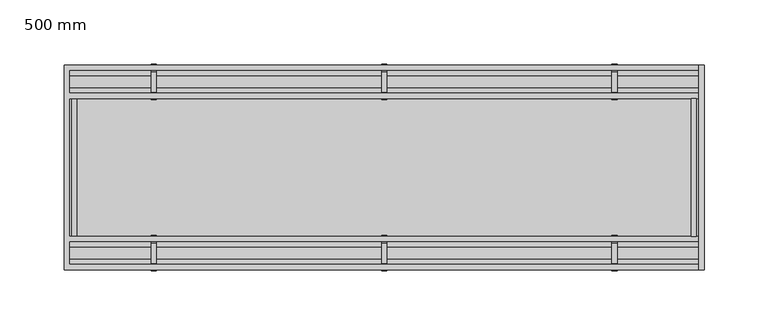
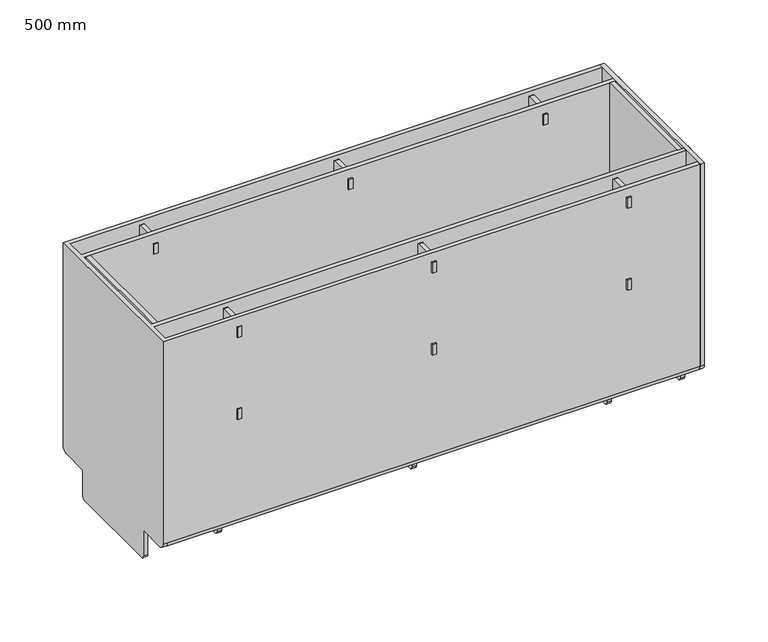
"""IFC4 building model written with IfcOpenShell, lengths in millimetres: proxy geometry, 500 mm."""

from ifc_helpers import new_model, si_unit, point, frame, frame_2d, origin, place, context, project, spatial, polyline, circle_curve, trimmed, segment, composite_curve, outline, extrude, source, transform, mapped, element, save
from ifc_brep_helpers import plane_surface, cylinder_surface, revolved_surface, advanced_brep


def proxy_500_mm_8174f131(model_context):
    return source(origin(), model_context, "Body", "SolidModel", [
        extrude(outline(polyline([(490.0, -54.0054819), (490.0, 54.0054819), (494.0, 54.0054819), (494.0, -54.0054819), (490.0, -54.0054819)])), frame((0.0, 0.0, -17.0), z_axis=(0.0, 0.0, 1.0), x_axis=(1.0, 0.0, 0.0)), (0.0, 0.0, 1.0), 199.0093438),
        extrude(outline(composite_curve([segment(polyline([(80.0, 182.0093438), (80.0, -15.5)]), True, "CONTINUOUS"), segment(trimmed(circle_curve(frame_2d((74.5, -15.5)), 5.5), [point((80.0, -15.5))], [point((74.5, -21.0))], False, "CARTESIAN"), True, "CONTINUOUS"), segment(polyline([(74.5, -21.0), (48.5, -21.0), (48.5, -46.0)]), True, "CONTINUOUS"), segment(trimmed(circle_curve(frame_2d((45.5, -46.0)), 3.0), [point((48.5, -46.0))], [point((45.5, -49.0))], False, "CARTESIAN"), True, "CONTINUOUS"), segment(polyline([(45.5, -49.0), (-45.5, -49.0)]), True, "CONTINUOUS"), segment(trimmed(circle_curve(frame_2d((-45.5, -46.0)), 3.0), [point((-45.5, -49.0))], [point((-48.5, -46.0))], False, "CARTESIAN"), True, "CONTINUOUS"), segment(polyline([(-48.5, -46.0), (-48.5, -21.0), (-74.5, -21.0)]), True, "CONTINUOUS"), segment(trimmed(circle_curve(frame_2d((-74.5, -15.5)), 5.5), [point((-74.5, -21.0))], [point((-80.0, -15.5))], False, "CARTESIAN"), True, "CONTINUOUS"), segment(polyline([(-80.0, -15.5), (-80.0, 182.0093438), (80.0, 182.0093438)]), True, "CONTINUOUS")], self_intersect=False)), frame((496.0, 0.0, 0.0), z_axis=(1.0, 0.0, 0.0), x_axis=(0.0, 1.0, 0.0)), (0.0, 0.0, 1.0), 4.0),
        extrude(outline(composite_curve([segment(trimmed(circle_curve(frame_2d((45.5, -46.0)), 3.0), [point((48.5, -46.0))], [point((45.5, -49.0))], False, "CARTESIAN"), True, "CONTINUOUS"), segment(polyline([(45.5, -49.0), (-45.5, -49.0)]), True, "CONTINUOUS"), segment(trimmed(circle_curve(frame_2d((-45.5, -46.0)), 3.0), [point((-45.5, -49.0))], [point((-48.5, -46.0))], False, "CARTESIAN"), True, "CONTINUOUS"), segment(polyline([(-48.5, -46.0), (-48.5, -21.0), (48.5, -21.0), (48.5, -46.0)]), True, "CONTINUOUS")], self_intersect=False)), frame((248.0625, 0.0, 0.0), z_axis=(1.0, 0.0, 0.0), x_axis=(0.0, 1.0, 0.0)), (0.0, 0.0, 1.0), 4.0),
        extrude(outline(composite_curve([segment(polyline([(57.9942771, 78.0), (57.9942771, 83.0), (52.9942771, 83.0), (52.9942771, 93.0), (57.9942771, 93.0), (57.9942771, 163.0), (52.9942771, 163.0), (52.9942771, 173.0), (57.9942771, 173.0), (57.9942771, 177.0)]), True, "CONTINUOUS"), segment(trimmed(circle_curve(frame_2d((58.9942771, 177.0)), 1.0), [point((57.9942771, 177.0))], [point((58.9942771, 178.0))], False, "CARTESIAN"), True, "CONTINUOUS"), segment(polyline([(58.9942771, 178.0), (75.0, 178.0)]), True, "CONTINUOUS"), segment(trimmed(circle_curve(frame_2d((75.0, 177.0)), 1.0), [point((75.0, 178.0))], [point((76.0, 177.0))], False, "CARTESIAN"), True, "CONTINUOUS"), segment(polyline([(76.0, 177.0), (76.0, 173.0), (81.0, 173.0), (81.0, 163.0), (76.0, 163.0), (76.0, 93.0), (81.0, 93.0), (81.0, 83.0), (76.0, 83.0), (76.0, 78.0), (57.9942771, 78.0)]), True, "CONTINUOUS")], self_intersect=False)), frame((248.0625, 0.0, 0.0), z_axis=(1.0, 0.0, 0.0), x_axis=(0.0, 1.0, 0.0)), (0.0, 0.0, 1.0), 4.0),
        extrude(outline(composite_curve([segment(polyline([(-57.9942771, 78.0), (-76.0, 78.0), (-76.0, 83.0), (-81.0, 83.0), (-81.0, 93.0), (-76.0, 93.0), (-76.0, 163.0), (-81.0, 163.0), (-81.0, 173.0), (-76.0, 173.0), (-76.0, 177.0)]), True, "CONTINUOUS"), segment(trimmed(circle_curve(frame_2d((-75.0, 177.0)), 1.0), [point((-76.0, 177.0))], [point((-75.0, 178.0))], False, "CARTESIAN"), True, "CONTINUOUS"), segment(polyline([(-75.0, 178.0), (-58.9942771, 178.0)]), True, "CONTINUOUS"), segment(trimmed(circle_curve(frame_2d((-58.9942771, 177.0)), 1.0), [point((-58.9942771, 178.0))], [point((-57.9942771, 177.0))], False, "CARTESIAN"), True, "CONTINUOUS"), segment(polyline([(-57.9942771, 177.0), (-57.9942771, 173.0), (-52.9942771, 173.0), (-52.9942771, 163.0), (-57.9942771, 163.0), (-57.9942771, 93.0), (-52.9942771, 93.0), (-52.9942771, 83.0), (-57.9942771, 83.0), (-57.9942771, 78.0)]), True, "CONTINUOUS")], self_intersect=False)), frame((248.0625, 0.0, 0.0), z_axis=(1.0, 0.0, 0.0), x_axis=(0.0, 1.0, 0.0)), (0.0, 0.0, 1.0), 4.0),
        extrude(outline(composite_curve([segment(trimmed(circle_curve(frame_2d((45.5, -46.0)), 3.0), [point((48.5, -46.0))], [point((45.5, -49.0))], False, "CARTESIAN"), True, "CONTINUOUS"), segment(polyline([(45.5, -49.0), (-45.5, -49.0)]), True, "CONTINUOUS"), segment(trimmed(circle_curve(frame_2d((-45.5, -46.0)), 3.0), [point((-45.5, -49.0))], [point((-48.5, -46.0))], False, "CARTESIAN"), True, "CONTINUOUS"), segment(polyline([(-48.5, -46.0), (-48.5, -21.0), (48.5, -21.0), (48.5, -46.0)]), True, "CONTINUOUS")], self_intersect=False)), frame((428.0625, 0.0, 0.0), z_axis=(1.0, 0.0, 0.0), x_axis=(0.0, 1.0, 0.0)), (0.0, 0.0, 1.0), 4.0),
        extrude(outline(composite_curve([segment(polyline([(57.9942771, 78.0), (57.9942771, 83.0), (52.9942771, 83.0), (52.9942771, 93.0), (57.9942771, 93.0), (57.9942771, 163.0), (52.9942771, 163.0), (52.9942771, 173.0), (57.9942771, 173.0), (57.9942771, 177.0)]), True, "CONTINUOUS"), segment(trimmed(circle_curve(frame_2d((58.9942771, 177.0)), 1.0), [point((57.9942771, 177.0))], [point((58.9942771, 178.0))], False, "CARTESIAN"), True, "CONTINUOUS"), segment(polyline([(58.9942771, 178.0), (75.0, 178.0)]), True, "CONTINUOUS"), segment(trimmed(circle_curve(frame_2d((75.0, 177.0)), 1.0), [point((75.0, 178.0))], [point((76.0, 177.0))], False, "CARTESIAN"), True, "CONTINUOUS"), segment(polyline([(76.0, 177.0), (76.0, 173.0), (81.0, 173.0), (81.0, 163.0), (76.0, 163.0), (76.0, 93.0), (81.0, 93.0), (81.0, 83.0), (76.0, 83.0), (76.0, 78.0), (57.9942771, 78.0)]), True, "CONTINUOUS")], self_intersect=False)), frame((428.0625, 0.0, 0.0), z_axis=(1.0, 0.0, 0.0), x_axis=(0.0, 1.0, 0.0)), (0.0, 0.0, 1.0), 4.0),
        extrude(outline(composite_curve([segment(polyline([(-57.9942771, 78.0), (-76.0, 78.0), (-76.0, 83.0), (-81.0, 83.0), (-81.0, 93.0), (-76.0, 93.0), (-76.0, 163.0), (-81.0, 163.0), (-81.0, 173.0), (-76.0, 173.0), (-76.0, 177.0)]), True, "CONTINUOUS"), segment(trimmed(circle_curve(frame_2d((-75.0, 177.0)), 1.0), [point((-76.0, 177.0))], [point((-75.0, 178.0))], False, "CARTESIAN"), True, "CONTINUOUS"), segment(polyline([(-75.0, 178.0), (-58.9942771, 178.0)]), True, "CONTINUOUS"), segment(trimmed(circle_curve(frame_2d((-58.9942771, 177.0)), 1.0), [point((-58.9942771, 178.0))], [point((-57.9942771, 177.0))], False, "CARTESIAN"), True, "CONTINUOUS"), segment(polyline([(-57.9942771, 177.0), (-57.9942771, 173.0), (-52.9942771, 173.0), (-52.9942771, 163.0), (-57.9942771, 163.0), (-57.9942771, 93.0), (-52.9942771, 93.0), (-52.9942771, 83.0), (-57.9942771, 83.0), (-57.9942771, 78.0)]), True, "CONTINUOUS")], self_intersect=False)), frame((428.0625, 0.0, 0.0), z_axis=(1.0, 0.0, 0.0), x_axis=(0.0, 1.0, 0.0)), (0.0, 0.0, 1.0), 4.0),
        advanced_brep(
        [(4.0, -58.0054819, 182.0093438), (4.0, -76.0, 182.0093438), (4.0, -76.0, 162.9), (4.0, -72.0, 162.9), (4.0, -72.0, 137.9), (4.0, -76.0, 137.9), (4.0, -76.0, -15.5), (4.0, -74.5, -17.0), (4.0, -58.0054819, -17.0), (4.0, -58.0054819, 138.1067012), (4.0, -62.0054819, 138.1067012), (4.0, -62.0054819, 163.1067012), (4.0, -58.0054819, 163.1067012), (4.0, 76.0, 182.0093438), (4.0, 58.0054819, 182.0093438), (4.0, 58.0054819, 163.1067012), (4.0, 62.0054819, 163.1067012), (4.0, 62.0054819, 138.1067012), (4.0, 58.0054819, 138.1067012), (4.0, 58.0054819, -17.0), (4.0, 74.5, -17.0), (4.0, 76.0, -15.5), (4.0, 76.0, 137.9), (4.0, 72.0, 137.9), (4.0, 72.0, 162.9), (4.0, 76.0, 162.9), (4.0, 48.5, -21.0), (4.0, -48.5, -21.0), (4.0, -48.5, -46.0), (4.0, -45.5, -49.0), (4.0, 45.5, -49.0), (4.0, 48.5, -46.0), (4.0, -54.0054819, -17.0), (4.0, 54.0054819, -17.0), (4.0, 54.0054819, 182.0093438), (4.0, -54.0054819, 182.0093438), (0.0, -80.0, 182.0093438), (0.0, 80.0, 182.0093438), (0.0, 80.0, -15.5), (0.0, 74.5, -21.0), (0.0, 48.5, -21.0), (0.0, 48.5, -46.0), (0.0, 45.5, -49.0), (0.0, -45.5, -49.0), (0.0, -48.5, -46.0), (0.0, -48.5, -21.0), (0.0, -74.5, -21.0), (0.0, -80.0, -15.5), (500.0, -80.0, 182.0093438), (500.0, -76.0, 182.0093438), (500.0, -58.0054819, 182.0093438), (500.0, -54.0054819, 182.0093438), (500.0, 54.0054819, 182.0093438), (500.0, 58.0054819, 182.0093438), (500.0, 76.0, 182.0093438), (500.0, 80.0, 182.0093438), (4.0, -80.0, -15.5), (500.0, -80.0, -15.5), (4.0, -74.5, -21.0), (4.0, 74.5, -21.0), (500.0, 74.5, -21.0), (500.0, -74.5, -21.0), (4.0, 80.0, -15.5), (500.0, 80.0, -15.5), (500.0, 76.0, 162.9), (500.0, 72.0, 162.9), (500.0, 72.0, 137.9), (500.0, 76.0, 137.9), (500.0, 76.0, -15.5), (500.0, 74.5, -17.0), (500.0, 58.0054819, -17.0), (500.0, 58.0054819, 138.1067012), (500.0, 62.0054819, 138.1067012), (500.0, 62.0054819, 163.1067012), (500.0, 58.0054819, 163.1067012), (500.0, 54.0054819, -17.0), (500.0, -54.0054819, -17.0), (500.0, -58.0054819, 163.1067012), (500.0, -62.0054819, 163.1067012), (500.0, -62.0054819, 138.1067012), (500.0, -58.0054819, 138.1067012), (500.0, -58.0054819, -17.0), (500.0, -74.5, -17.0), (500.0, -76.0, -15.5), (500.0, -76.0, 137.9), (500.0, -72.0, 137.9), (500.0, -72.0, 162.9), (500.0, -76.0, 162.9)],
        [
            (0, 1),
            (1, 2),
            (2, 3),
            (3, 4),
            (4, 5),
            (5, 6),
            (6, 7, circle_curve(frame((4.0, -74.5, -15.5), z_axis=(1.0, 0.0, 0.0), x_axis=(0.0, -1.0, 0.0)), 1.5)),
            (7, 8),
            (8, 9),
            (9, 10),
            (10, 11),
            (11, 12),
            (12, 0),
            (13, 14),
            (14, 15),
            (15, 16),
            (16, 17),
            (17, 18),
            (18, 19),
            (19, 20),
            (20, 21, circle_curve(frame((4.0, 74.5, -15.5), z_axis=(1.0, 0.0, 0.0), x_axis=(0.0, 1.0, 0.0)), 1.5)),
            (21, 22),
            (22, 23),
            (23, 24),
            (24, 25),
            (25, 13),
            (26, 27),
            (27, 28),
            (28, 29, circle_curve(frame((4.0, -45.5, -46.0), z_axis=(1.0, 0.0, 0.0), x_axis=(0.0, 1.0, 0.0)), 3.0)),
            (29, 30),
            (30, 31, circle_curve(frame((4.0, 45.5, -46.0), z_axis=(1.0, 0.0, 0.0), x_axis=(0.0, 1.0, 0.0)), 3.0)),
            (31, 26),
            (32, 33),
            (33, 34),
            (34, 35),
            (35, 32),
            (36, 37),
            (37, 38),
            (38, 39, circle_curve(frame((0.0, 74.5, -15.5), z_axis=(-1.0, 0.0, 0.0), x_axis=(0.0, 1.0, 0.0)), 5.5)),
            (39, 40),
            (40, 41),
            (41, 42, circle_curve(frame((0.0, 45.5, -46.0), z_axis=(-1.0, 0.0, 0.0), x_axis=(0.0, 1.0, 0.0)), 3.0)),
            (42, 43),
            (43, 44, circle_curve(frame((0.0, -45.5, -46.0), z_axis=(-1.0, 0.0, 0.0), x_axis=(0.0, 1.0, 0.0)), 3.0)),
            (44, 45),
            (45, 46),
            (46, 47, circle_curve(frame((0.0, -74.5, -15.5), z_axis=(-1.0, 0.0, 0.0), x_axis=(0.0, 1.0, 0.0)), 5.5)),
            (47, 36),
            (36, 48),
            (48, 49),
            (49, 1),
            (0, 50),
            (50, 51),
            (51, 35),
            (34, 52),
            (52, 53),
            (53, 14),
            (13, 54),
            (54, 55),
            (55, 37),
            (47, 56),
            (56, 57),
            (57, 48),
            (46, 58),
            (58, 56, circle_curve(frame((4.0, -74.5, -15.5), z_axis=(-1.0, 0.0, 0.0), x_axis=(0.0, 1.0, 0.0)), 5.5)),
            (45, 27),
            (26, 40),
            (39, 59),
            (59, 60),
            (60, 61),
            (61, 58),
            (44, 28),
            (43, 29),
            (42, 30),
            (41, 31),
            (38, 62),
            (62, 59, circle_curve(frame((4.0, 74.5, -15.5), z_axis=(-1.0, 0.0, 0.0), x_axis=(0.0, 1.0, 0.0)), 5.5)),
            (55, 63),
            (63, 62),
            (60, 63, circle_curve(frame((500.0, 74.5, -15.5), z_axis=(1.0, 0.0, 0.0), x_axis=(0.0, 1.0, 0.0)), 5.5)),
            (54, 64),
            (64, 65),
            (65, 66),
            (66, 67),
            (67, 68),
            (68, 69, circle_curve(frame((500.0, 74.5, -15.5), z_axis=(-1.0, 0.0, 0.0), x_axis=(0.0, 1.0, 0.0)), 1.5)),
            (69, 70),
            (70, 71),
            (71, 72),
            (72, 73),
            (73, 74),
            (74, 53),
            (52, 75),
            (75, 76),
            (76, 51),
            (50, 77),
            (77, 78),
            (78, 79),
            (79, 80),
            (80, 81),
            (81, 82),
            (82, 83, circle_curve(frame((500.0, -74.5, -15.5), z_axis=(-1.0, 0.0, 0.0), x_axis=(0.0, -1.0, 0.0)), 1.5)),
            (83, 84),
            (84, 85),
            (85, 86),
            (86, 87),
            (87, 49),
            (57, 61, circle_curve(frame((500.0, -74.5, -15.5), z_axis=(1.0, 0.0, 0.0), x_axis=(0.0, -1.0, 0.0)), 5.5)),
            (87, 2),
            (86, 3),
            (85, 4),
            (84, 5),
            (83, 6),
            (82, 7),
            (75, 33),
            (32, 76),
            (80, 9),
            (8, 81),
            (79, 10),
            (78, 11),
            (77, 12),
            (25, 64),
            (24, 65),
            (23, 66),
            (22, 67),
            (21, 68),
            (20, 69),
            (70, 19),
            (18, 71),
            (17, 72),
            (16, 73),
            (15, 74),
        ],
        [
            plane_surface(frame((4.0, 58.0054819, 182.0093438), z_axis=(1.0, 0.0, 0.0), x_axis=(0.0, -1.0, 0.0))),
            plane_surface(frame((0.0, 58.0054819, 182.0093438), z_axis=(-1.0, 0.0, 0.0), x_axis=(0.0, 1.0, 0.0))),
            plane_surface(frame((4.0, 80.0, 182.0093438), z_axis=(0.0, 0.0, 1.0), x_axis=(-1.0, 0.0, 0.0))),
            plane_surface(frame((4.0, -80.0, 182.0093438), z_axis=(0.0, -1.0, 0.0), x_axis=(-1.0, 0.0, 0.0))),
            cylinder_surface(frame((0.0, -74.5, -15.5), z_axis=(1.0, 0.0, 0.0), x_axis=(0.0, 1.0, 0.0)), 5.5),
            plane_surface(frame((4.0, -74.5, -21.0), z_axis=(0.0, 0.0, -1.0), x_axis=(-1.0, 0.0, 0.0))),
            plane_surface(frame((4.0, -48.5, -21.0), z_axis=(0.0, -1.0, 0.0), x_axis=(-1.0, 0.0, 0.0))),
            cylinder_surface(frame((0.0, -45.5, -46.0), z_axis=(1.0, 0.0, 0.0), x_axis=(0.0, 1.0, 0.0)), 3.0),
            plane_surface(frame((4.0, -45.5, -49.0), z_axis=(0.0, 0.0, -1.0), x_axis=(-1.0, 0.0, 0.0))),
            cylinder_surface(frame((0.0, 45.5, -46.0), z_axis=(1.0, 0.0, 0.0), x_axis=(0.0, 1.0, 0.0)), 3.0),
            plane_surface(frame((4.0, 48.5, -46.0), z_axis=(0.0, 1.0, 0.0), x_axis=(-1.0, 0.0, 0.0))),
            cylinder_surface(frame((0.0, 74.5, -15.5), z_axis=(1.0, 0.0, 0.0), x_axis=(0.0, 1.0, 0.0)), 5.5),
            plane_surface(frame((4.0, 80.0, -15.5), z_axis=(0.0, 1.0, 0.0), x_axis=(-1.0, 0.0, 0.0))),
            plane_surface(frame((500.0, -74.5, -21.0), z_axis=(1.0, 0.0, 0.0), x_axis=(0.0, 1.0, 0.0))),
            cylinder_surface(frame((0.0, -74.5, -15.5), z_axis=(1.0, 0.0, 0.0), x_axis=(0.0, -1.0, 0.0)), 5.5),
            plane_surface(frame((500.0, -76.0, 162.9), z_axis=(0.0, 1.0, 0.0), x_axis=(-1.0, 0.0, 0.0))),
            plane_surface(frame((500.0, -72.0, 162.9), z_axis=(0.0, 0.0, 1.0), x_axis=(-1.0, 0.0, 0.0))),
            plane_surface(frame((500.0, -72.0, 137.9), z_axis=(0.0, 1.0, 0.0), x_axis=(-1.0, 0.0, 0.0))),
            plane_surface(frame((500.0, -76.0, 137.9), z_axis=(0.0, 0.0, -1.0), x_axis=(-1.0, 0.0, 0.0))),
            plane_surface(frame((500.0, -76.0, -15.5), z_axis=(0.0, 1.0, 0.0), x_axis=(-1.0, 0.0, 0.0))),
            revolved_surface(polyline([(4.0, -76.0, -15.5), (500.0, -76.0, -15.5)]), (0.0, -74.5, -15.5), (-1.0, 0.0, 0.0)),
            plane_surface(frame((500.0, 0.0, -17.0), z_axis=(0.0, 0.0, 1.0), x_axis=(-1.0, 0.0, 0.0))),
            plane_surface(frame((500.0, -54.0054819, -17.0), z_axis=(0.0, 1.0, 0.0), x_axis=(-1.0, 0.0, 0.0))),
            plane_surface(frame((500.0, -58.0054819, 138.1067012), z_axis=(0.0, -1.0, 0.0), x_axis=(-1.0, 0.0, 0.0))),
            plane_surface(frame((500.0, -62.0054819, 138.1067012), z_axis=(0.0, 0.0, -1.0), x_axis=(-1.0, 0.0, 0.0))),
            plane_surface(frame((500.0, -62.0054819, 163.1067012), z_axis=(0.0, -1.0, 0.0), x_axis=(-1.0, 0.0, 0.0))),
            plane_surface(frame((500.0, -58.0054819, 163.1067012), z_axis=(0.0, 0.0, 1.0), x_axis=(-1.0, 0.0, 0.0))),
            plane_surface(frame((500.0, -58.0054819, 182.0093438), z_axis=(0.0, -1.0, 0.0), x_axis=(-1.0, 0.0, 0.0))),
            plane_surface(frame((500.0, -58.0054819, -17.0), z_axis=(0.0, 0.0, 1.0), x_axis=(-1.0, 0.0, 0.0))),
            plane_surface(frame((500.0, 76.0, 182.0), z_axis=(0.0, -1.0, 0.0), x_axis=(-1.0, 0.0, 0.0))),
            plane_surface(frame((500.0, 76.0, 162.9), z_axis=(0.0, 0.0, 1.0), x_axis=(-1.0, 0.0, 0.0))),
            plane_surface(frame((500.0, 72.0, 162.9), z_axis=(0.0, -1.0, 0.0), x_axis=(-1.0, 0.0, 0.0))),
            plane_surface(frame((500.0, 72.0, 137.9), z_axis=(0.0, 0.0, -1.0), x_axis=(-1.0, 0.0, 0.0))),
            plane_surface(frame((500.0, 76.0, 137.9), z_axis=(0.0, -1.0, 0.0), x_axis=(-1.0, 0.0, 0.0))),
            revolved_surface(polyline([(4.0, 76.0, -15.5), (500.0, 76.0, -15.5)]), (0.0, 74.5, -15.5), (-1.0, 0.0, 0.0)),
            plane_surface(frame((500.0, 54.0054819, 182.0093438), z_axis=(0.0, -1.0, 0.0), x_axis=(-1.0, 0.0, 0.0))),
            plane_surface(frame((500.0, 58.0054819, -17.0), z_axis=(0.0, 1.0, 0.0), x_axis=(-1.0, 0.0, 0.0))),
            plane_surface(frame((500.0, 58.0054819, 138.1067012), z_axis=(0.0, 0.0, -1.0), x_axis=(-1.0, 0.0, 0.0))),
            plane_surface(frame((500.0, 62.0054819, 138.1067012), z_axis=(0.0, 1.0, 0.0), x_axis=(-1.0, 0.0, 0.0))),
            plane_surface(frame((500.0, 62.0054819, 163.1067012), z_axis=(0.0, 0.0, 1.0), x_axis=(-1.0, 0.0, 0.0))),
            plane_surface(frame((500.0, 58.0054819, 163.1067012), z_axis=(0.0, 1.0, 0.0), x_axis=(-1.0, 0.0, 0.0))),
            plane_surface(frame((500.0, 74.5, -17.0), z_axis=(0.0, 0.0, 1.0), x_axis=(-1.0, 0.0, 0.0))),
        ],
        [
            (0, [[1, 2, 3, 4, 5, 6, 7, 8, 9, 10, 11, 12, 13]]),
            (0, [[14, 15, 16, 17, 18, 19, 20, 21, 22, 23, 24, 25, 26]]),
            (0, [[27, 28, 29, 30, 31, 32]]),
            (0, [[33, 34, 35, 36]]),
            (1, [[37, 38, 39, 40, 41, 42, 43, 44, 45, 46, 47, 48]]),
            (2, [[49, 50, 51, -1, 52, 53, 54, -35, 55, 56, 57, -14, 58, 59, 60, -37]]),
            (3, [[-48, 61, 62, 63, -49]]),
            (4, [[-47, 64, 65, -61]]),
            (5, [[-46, 66, -27, 67, -40, 68, 69, 70, 71, -64]]),
            (6, [[-28, -66, -45, 72]]),
            (7, [[-29, -72, -44, 73]]),
            (8, [[-30, -73, -43, 74]]),
            (9, [[-31, -74, -42, 75]]),
            (10, [[-32, -75, -41, -67]]),
            (11, [[-39, 76, 77, -68]]),
            (12, [[-38, -60, 78, 79, -76]]),
            (13, [[-70, 80, -78, -59, 81, 82, 83, 84, 85, 86, 87, 88, 89, 90, 91, 92, -56, 93, 94, 95, -53, 96, 97, 98, 99, 100, 101, 102, 103, 104, 105, 106, 107, -50, -63, 108]]),
            (14, [[-108, -62, -65, -71]]),
            (15, [[-107, 109, -2, -51]]),
            (16, [[-106, 110, -3, -109]]),
            (17, [[-105, 111, -4, -110]]),
            (18, [[-104, 112, -5, -111]]),
            (19, [[-103, 113, -6, -112]]),
            (20, [[-102, 114, -7, -113]]),
            (21, [[-94, 115, -33, 116]]),
            (22, [[-95, -116, -36, -54]]),
            (23, [[-100, 117, -9, 118]]),
            (24, [[-99, 119, -10, -117]]),
            (25, [[-98, 120, -11, -119]]),
            (26, [[-97, 121, -12, -120]]),
            (27, [[-96, -52, -13, -121]]),
            (28, [[-101, -118, -8, -114]]),
            (11, [[-80, -69, -77, -79]]),
            (29, [[-81, -58, -26, 122]]),
            (30, [[-82, -122, -25, 123]]),
            (31, [[-83, -123, -24, 124]]),
            (32, [[-84, -124, -23, 125]]),
            (33, [[-85, -125, -22, 126]]),
            (34, [[-86, -126, -21, 127]]),
            (35, [[-93, -55, -34, -115]]),
            (36, [[-88, 128, -19, 129]]),
            (37, [[-89, -129, -18, 130]]),
            (38, [[-90, -130, -17, 131]]),
            (39, [[-91, -131, -16, 132]]),
            (40, [[-92, -132, -15, -57]]),
            (41, [[-87, -127, -20, -128]]),
        ],
    ),
        extrude(outline(polyline([(10.0, 54.0054819), (10.0, -54.0054819), (6.0, -54.0054819), (6.0, 54.0054819), (10.0, 54.0054819)])), frame((0.0, 0.0, -17.0), z_axis=(0.0, 0.0, 1.0), x_axis=(1.0, 0.0, 0.0)), (0.0, 0.0, 1.0), 199.0093438),
        extrude(outline(composite_curve([segment(trimmed(circle_curve(frame_2d((45.5, -46.0)), 3.0), [point((48.5, -46.0))], [point((45.5, -49.0))], False, "CARTESIAN"), True, "CONTINUOUS"), segment(polyline([(45.5, -49.0), (-45.5, -49.0)]), True, "CONTINUOUS"), segment(trimmed(circle_curve(frame_2d((-45.5, -46.0)), 3.0), [point((-45.5, -49.0))], [point((-48.5, -46.0))], False, "CARTESIAN"), True, "CONTINUOUS"), segment(polyline([(-48.5, -46.0), (-48.5, -21.0), (48.5, -21.0), (48.5, -46.0)]), True, "CONTINUOUS")], self_intersect=False)), frame((68.0625, 0.0, 0.0), z_axis=(1.0, 0.0, 0.0), x_axis=(0.0, 1.0, 0.0)), (0.0, 0.0, 1.0), 4.0),
        extrude(outline(composite_curve([segment(polyline([(57.9942771, 78.0), (57.9942771, 83.0), (52.9942771, 83.0), (52.9942771, 93.0), (57.9942771, 93.0), (57.9942771, 163.0), (52.9942771, 163.0), (52.9942771, 173.0), (57.9942771, 173.0), (57.9942771, 177.0)]), True, "CONTINUOUS"), segment(trimmed(circle_curve(frame_2d((58.9942771, 177.0)), 1.0), [point((57.9942771, 177.0))], [point((58.9942771, 178.0))], False, "CARTESIAN"), True, "CONTINUOUS"), segment(polyline([(58.9942771, 178.0), (75.0, 178.0)]), True, "CONTINUOUS"), segment(trimmed(circle_curve(frame_2d((75.0, 177.0)), 1.0), [point((75.0, 178.0))], [point((76.0, 177.0))], False, "CARTESIAN"), True, "CONTINUOUS"), segment(polyline([(76.0, 177.0), (76.0, 173.0), (81.0, 173.0), (81.0, 163.0), (76.0, 163.0), (76.0, 93.0), (81.0, 93.0), (81.0, 83.0), (76.0, 83.0), (76.0, 78.0), (57.9942771, 78.0)]), True, "CONTINUOUS")], self_intersect=False)), frame((68.0625, 0.0, 0.0), z_axis=(1.0, 0.0, 0.0), x_axis=(0.0, 1.0, 0.0)), (0.0, 0.0, 1.0), 4.0),
        extrude(outline(composite_curve([segment(polyline([(-57.9942771, 78.0), (-76.0, 78.0), (-76.0, 83.0), (-81.0, 83.0), (-81.0, 93.0), (-76.0, 93.0), (-76.0, 163.0), (-81.0, 163.0), (-81.0, 173.0), (-76.0, 173.0), (-76.0, 177.0)]), True, "CONTINUOUS"), segment(trimmed(circle_curve(frame_2d((-75.0, 177.0)), 1.0), [point((-76.0, 177.0))], [point((-75.0, 178.0))], False, "CARTESIAN"), True, "CONTINUOUS"), segment(polyline([(-75.0, 178.0), (-58.9942771, 178.0)]), True, "CONTINUOUS"), segment(trimmed(circle_curve(frame_2d((-58.9942771, 177.0)), 1.0), [point((-58.9942771, 178.0))], [point((-57.9942771, 177.0))], False, "CARTESIAN"), True, "CONTINUOUS"), segment(polyline([(-57.9942771, 177.0), (-57.9942771, 173.0), (-52.9942771, 173.0), (-52.9942771, 163.0), (-57.9942771, 163.0), (-57.9942771, 93.0), (-52.9942771, 93.0), (-52.9942771, 83.0), (-57.9942771, 83.0), (-57.9942771, 78.0)]), True, "CONTINUOUS")], self_intersect=False)), frame((68.0625, 0.0, 0.0), z_axis=(1.0, 0.0, 0.0), x_axis=(0.0, 1.0, 0.0)), (0.0, 0.0, 1.0), 4.0),
    ])


if __name__ == "__main__":
    model = new_model("IFC4")
    model_context = context("Model", 3, world=origin())
    ifc_project = project(units=[si_unit("LENGTHUNIT", "METRE", prefix="MILLI")], contexts=[model_context])
    site = spatial("IfcSite", under=ifc_project)
    building = spatial("IfcBuilding", under=site)
    placement = place(None, origin())
    proxy_500_mm_shape = proxy_500_mm_8174f131(model_context)
    element("IfcBuildingElementProxy", 1, Name="500 mm", ObjectType="500 mm", at=placement, inside=building, context=model_context, shape_type="MappedRepresentation", body=[
        mapped(proxy_500_mm_shape, transform((0.0, 0.0, 0.0), x_axis=(1.0, 0.0, 0.0), y_axis=(0.0, 1.0, 0.0), z_axis=(0.0, 0.0, 1.0))),
    ])
    save(model, "model.ifc")
